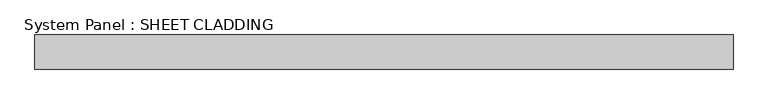
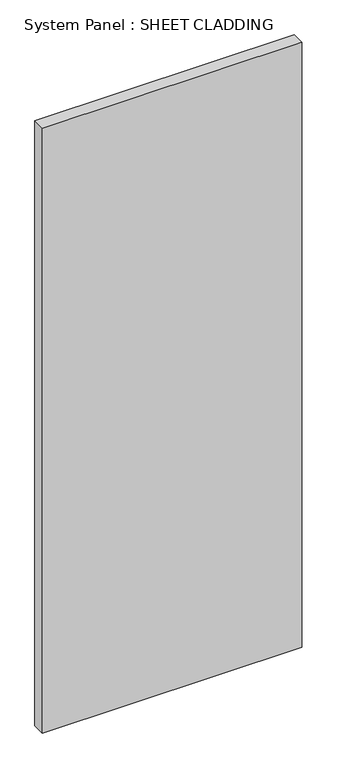
"""IFC4 building model written with IfcOpenShell, lengths in millimetres: plate geometry, System Panel : SHEET CLADDING."""

import ifcopenshell
import ifcopenshell.guid

model = None  # the IFC model being written
_history = None  # IfcOwnerHistory: only IFC2X3 demands one
_inside = {}  # id of a spatial element -> (the spatial element, [elements in it])
_under = {}  # id of a project, library or spatial element -> (it, [spatial elements below it])
_declared = {}  # id of a project -> (the project, [libraries it declares])
_typed = {}  # id of a type object -> (the type object, [elements of that type])
_made_of = {}  # id of a material, layer set ... -> (it, [elements and type objects made of it])


def new_model(schema):
    """Start an empty IFC model of exactly this schema.

    Asked for "IFC4X3", IfcOpenShell would pick the latest addendum, in which some entities
    have other attributes; the version numbers below select the first issue.
    IFC2X3 requires an IfcOwnerHistory on every rooted entity: one is made here for all.
    """
    global model, _history
    if schema == "IFC4X3":
        model = ifcopenshell.file(schema_version=(4, 3, 0, 0))
    else:
        model = ifcopenshell.file(schema=schema)
    _inside.clear()
    _under.clear()
    _declared.clear()
    _typed.clear()
    _made_of.clear()
    _history = None
    if model.schema == "IFC2X3":
        org = make("IfcOrganization", Name="unknown")
        user = make(
            "IfcPersonAndOrganization",
            ThePerson=make("IfcPerson", FamilyName="unknown"),
            TheOrganization=org,
        )
        app = make(
            "IfcApplication",
            ApplicationDeveloper=org,
            Version="unknown",
            ApplicationFullName="unknown",
            ApplicationIdentifier="unknown",
        )
        _history = make(
            "IfcOwnerHistory",
            OwningUser=user,
            OwningApplication=app,
            ChangeAction="ADDED",
            CreationDate=0,
        )
    return model


def make(cls, **values):
    """One entity of the class cls with the attributes given. An attribute that is None is left unset."""
    return model.create_entity(
        cls, **{name: value for name, value in values.items() if value is not None}
    )


def rooted(cls, **values):
    """An entity with a GlobalId (a new one), such as an element, a storey or a relation."""
    return make(cls, GlobalId=ifcopenshell.guid.new(), OwnerHistory=_history, **values)


def si_unit(unit_type, name, prefix=None):
    """IfcSIUnit, for example si_unit("LENGTHUNIT", "METRE", prefix="MILLI")."""
    return make("IfcSIUnit", UnitType=unit_type, Prefix=prefix, Name=name)


def assignment(units):
    """IfcUnitAssignment: the units of a project."""
    return None if units is None else make("IfcUnitAssignment", Units=units)


def point(xyz):
    """IfcCartesianPoint."""
    return None if xyz is None else make("IfcCartesianPoint", Coordinates=xyz)


def direction(xyz):
    """IfcDirection."""
    return None if xyz is None else make("IfcDirection", DirectionRatios=xyz)


def frame(location, z_axis=None, x_axis=None):
    """IfcAxis2Placement3D, a coordinate frame: its origin and axes. An axis left out is left unset."""
    return make(
        "IfcAxis2Placement3D",
        Location=point(location),
        Axis=direction(z_axis),
        RefDirection=direction(x_axis),
    )


def origin():
    """The frame at (0, 0, 0) with its axes left unset."""
    return frame((0.0, 0.0, 0.0))


def origin_with_axes():
    """The frame at (0, 0, 0) with the z axis (0, 0, 1) and the x axis (1, 0, 0) written out."""
    return frame((0.0, 0.0, 0.0), z_axis=(0.0, 0.0, 1.0), x_axis=(1.0, 0.0, 0.0))


def place(relative_to, where):
    """IfcLocalPlacement: puts the frame where relative to a parent placement (None: the world)."""
    return make(
        "IfcLocalPlacement", PlacementRelTo=relative_to, RelativePlacement=where
    )


def context(
    kind, dimensions, precision=None, world=None, true_north=None, identifier=None
):
    """IfcGeometricRepresentationContext, for example the 3D "Model" context."""
    return make(
        "IfcGeometricRepresentationContext",
        ContextIdentifier=identifier,
        ContextType=kind,
        CoordinateSpaceDimension=dimensions,
        Precision=precision,
        WorldCoordinateSystem=world,
        TrueNorth=true_north,
    )


def project(units=None, contexts=None):
    """IfcProject with its units and contexts."""
    return rooted(
        "IfcProject",
        Name="project",
        RepresentationContexts=contexts,
        UnitsInContext=assignment(units),
    )


def spatial(cls, under=None, at=None, **own):
    """A site, building, storey or space (cls), placed at a placement, below another one or the project."""
    s = rooted(cls, ObjectPlacement=at, **own)
    if under is not None:
        _under.setdefault(under.id(), (under, []))[1].append(s)
    return s


def polyline(points):
    """IfcPolyline through the points."""
    return make("IfcPolyline", Points=[point(p) for p in points])


def outline(outer, holes=None, kind="AREA"):
    """IfcArbitraryClosedProfileDef: a profile drawn as a closed curve; with holes, ...WithVoids."""
    if holes is None:
        return make("IfcArbitraryClosedProfileDef", ProfileType=kind, OuterCurve=outer)
    return make(
        "IfcArbitraryProfileDefWithVoids",
        ProfileType=kind,
        OuterCurve=outer,
        InnerCurves=holes,
    )


def extrude(swept, where, along, depth):
    """IfcExtrudedAreaSolid: the profile swept, set in the frame where, extruded along a direction by depth."""
    return make(
        "IfcExtrudedAreaSolid",
        SweptArea=swept,
        Position=where,
        ExtrudedDirection=direction(along),
        Depth=depth,
    )


def shape(context_of_items, identifier, shape_type, items):
    """IfcShapeRepresentation: the items that make up one representation, for example the "Body"."""
    return make(
        "IfcShapeRepresentation",
        ContextOfItems=context_of_items,
        RepresentationIdentifier=identifier,
        RepresentationType=shape_type,
        Items=items,
    )


def source(mapping_origin, context_of_items, identifier, shape_type, items):
    """IfcRepresentationMap: a shape defined once, which mapped items show again and again."""
    return make(
        "IfcRepresentationMap",
        MappingOrigin=mapping_origin,
        MappedRepresentation=shape(context_of_items, identifier, shape_type, items),
    )


def transform(
    local_origin,
    x_axis=None,
    y_axis=None,
    z_axis=None,
    scale=None,
    scale2=None,
    scale3=None,
    uniform=True,
):
    """IfcCartesianTransformationOperator3D, or its non-uniform kind. x_axis, y_axis, z_axis: its Axis1, 2, 3."""
    if uniform:
        return make(
            "IfcCartesianTransformationOperator3D",
            Axis1=direction(x_axis),
            Axis2=direction(y_axis),
            LocalOrigin=point(local_origin),
            Scale=scale,
            Axis3=direction(z_axis),
        )
    return make(
        "IfcCartesianTransformationOperator3DnonUniform",
        Axis1=direction(x_axis),
        Axis2=direction(y_axis),
        LocalOrigin=point(local_origin),
        Scale=scale,
        Axis3=direction(z_axis),
        Scale2=scale2,
        Scale3=scale3,
    )


def mapped(mapping_source, mapping_target):
    """IfcMappedItem: shows the shape of a source again, moved by a transform."""
    return make(
        "IfcMappedItem", MappingSource=mapping_source, MappingTarget=mapping_target
    )


def made_of(thing, what):
    """Note that an element or type object is made of a material, layer set ...; save() writes the relation."""
    if what is not None:
        _made_of.setdefault(what.id(), (what, []))[1].append(thing)
    return thing


def element(
    cls,
    number,
    at=None,
    inside=None,
    cuts=None,
    type_object=None,
    material=None,
    context=None,
    identifier="Body",
    shape_type=None,
    held_by="IfcProductDefinitionShape",
    body=None,
    shapes=None,
    **own,
):
    """One element of the class cls, such as IfcWall. Its Tag is "e" and its number.

    at: its placement. inside: the storey or other place that contains it. cuts: it is an
    opening in that element (IfcRelVoidsElement). A single representation is given by context,
    identifier, shape_type and body (its items); several are given by shapes. held_by: the class
    of the entity that holds the representations. save() writes the other relations.
    """
    e = rooted(cls, Tag="e%d" % number, ObjectPlacement=at, **own)
    if body is not None:
        shapes = [shape(context, identifier, shape_type, body)]
    if shapes is not None:
        e.Representation = make(held_by, Representations=shapes)
    if inside is not None:
        _inside.setdefault(inside.id(), (inside, []))[1].append(e)
    if cuts is not None:
        rooted(
            "IfcRelVoidsElement", RelatingBuildingElement=cuts, RelatedOpeningElement=e
        )
    if type_object is not None:
        _typed.setdefault(type_object.id(), (type_object, []))[1].append(e)
    return made_of(e, material)


def aggregate(whole, parts):
    """IfcRelAggregates: a whole, such as a stair, and the parts it consists of."""
    return rooted("IfcRelAggregates", RelatingObject=whole, RelatedObjects=parts)


def save(model, path):
    """Write the relations noted so far, then the file.

    IfcRelAggregates (storeys below a building ...), IfcRelContainedInSpatialStructure (elements
    in a storey), IfcRelDefinesByType, IfcRelAssociatesMaterial and IfcRelDeclares: one each for
    every whole, place, type object, material and project.
    """
    for whole, parts in _under.values():
        aggregate(whole, parts)
    for where, things in _inside.values():
        rooted(
            "IfcRelContainedInSpatialStructure",
            RelatedElements=things,
            RelatingStructure=where,
        )
    for kind, things in _typed.values():
        rooted("IfcRelDefinesByType", RelatedObjects=things, RelatingType=kind)
    for what, things in _made_of.values():
        rooted("IfcRelAssociatesMaterial", RelatedObjects=things, RelatingMaterial=what)
    for by, libraries in _declared.values():
        rooted("IfcRelDeclares", RelatingContext=by, RelatedDefinitions=libraries)
    model.write(path)


def system_panel_sheet_cladding_d5345fa4(model_context):
    return source(origin(), model_context, "Body", "SweptSolid", [
        extrude(outline(polyline([(608.1730769, -49.5), (-608.1730769, -49.5), (-608.1730769, 10.5), (608.1730769, 10.5), (608.1730769, -49.5)])), origin_with_axes(), (0.0, 0.0, 1.0), 3000.0),
    ])


if __name__ == "__main__":
    model = new_model("IFC4")
    model_context = context("Model", 3, world=origin())
    ifc_project = project(units=[si_unit("LENGTHUNIT", "METRE", prefix="MILLI")], contexts=[model_context])
    site = spatial("IfcSite", under=ifc_project)
    building = spatial("IfcBuilding", under=site)
    placement = place(None, origin())
    system_panel_sheet_cladding_shape = system_panel_sheet_cladding_d5345fa4(model_context)
    element("IfcPlate", 1, ObjectType="System Panel : SHEET CLADDING", at=placement, inside=building, context=model_context, shape_type="MappedRepresentation", body=[
        mapped(system_panel_sheet_cladding_shape, transform((0.0, 0.0, 0.0), x_axis=(1.0, 0.0, 0.0), y_axis=(0.0, 1.0, 0.0), z_axis=(0.0, 0.0, 1.0))),
    ])
    save(model, "model.ifc")
